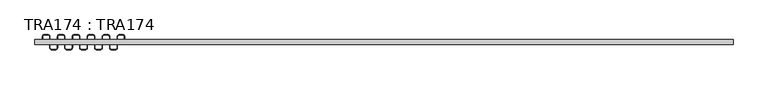
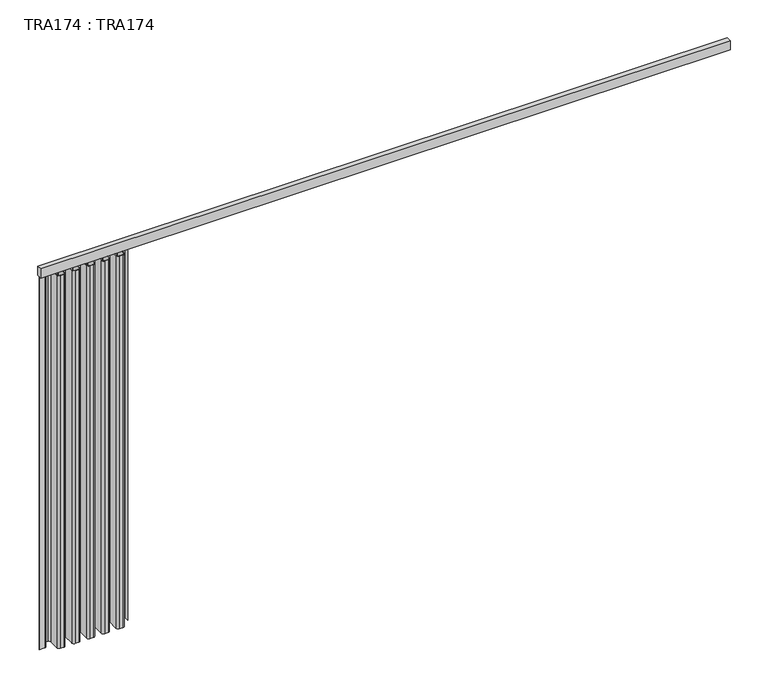
"""IFC4 building model written with IfcOpenShell, lengths in millimetres: proxy geometry, TRA174 : TRA174."""

from ifc_helpers import new_model, si_unit, point, frame, frame_2d, origin, place, context, project, spatial, polyline, circle_curve, trimmed, segment, composite_curve, outline, extrude, source, transform, mapped, element, save


def tra174_tra174_6911ceaa(model_context):
    return source(origin(), model_context, "Body", "SweptSolid", [
        extrude(outline(composite_curve([segment(trimmed(circle_curve(frame_2d((27.5, 10.0)), 10.0), [point((27.5, 0.0))], [point((37.5, 10.0))], True, "CARTESIAN"), True, "CONTINUOUS"), segment(polyline([(37.5, 10.0), (37.5, 27.5)]), True, "CONTINUOUS"), segment(trimmed(circle_curve(frame_2d((47.5, 27.5)), 10.0), [point((37.5, 27.5))], [point((47.5, 37.5))], False, "CARTESIAN"), True, "CONTINUOUS"), segment(polyline([(47.5, 37.5), (65.0, 37.5)]), True, "CONTINUOUS"), segment(trimmed(circle_curve(frame_2d((65.0, 27.5)), 10.0), [point((65.0, 37.5))], [point((75.0, 27.5))], False, "CARTESIAN"), True, "CONTINUOUS"), segment(polyline([(75.0, 27.5), (75.0, -27.5)]), True, "CONTINUOUS"), segment(trimmed(circle_curve(frame_2d((85.0, -27.5)), 10.0), [point((75.0, -27.5))], [point((85.0, -37.5))], True, "CARTESIAN"), True, "CONTINUOUS"), segment(polyline([(85.0, -37.5), (102.5, -37.5)]), True, "CONTINUOUS"), segment(trimmed(circle_curve(frame_2d((102.5, -27.5)), 10.0), [point((102.5, -37.5))], [point((112.5, -27.5))], True, "CARTESIAN"), True, "CONTINUOUS"), segment(polyline([(112.5, -27.5), (112.5, 27.5)]), True, "CONTINUOUS"), segment(trimmed(circle_curve(frame_2d((122.5, 27.5)), 10.0), [point((112.5, 27.5))], [point((122.5, 37.5))], False, "CARTESIAN"), True, "CONTINUOUS"), segment(polyline([(122.5, 37.5), (140.0, 37.5)]), True, "CONTINUOUS"), segment(trimmed(circle_curve(frame_2d((140.0, 27.5)), 10.0), [point((140.0, 37.5))], [point((150.0, 27.5))], False, "CARTESIAN"), True, "CONTINUOUS"), segment(polyline([(150.0, 27.5), (150.0, -27.3548779)]), True, "CONTINUOUS"), segment(trimmed(circle_curve(frame_2d((160.1451221, -27.3548779)), 10.1451221), [point((150.0, -27.3548779))], [point((160.1451221, -37.5))], True, "CARTESIAN"), True, "CONTINUOUS"), segment(polyline([(160.1451221, -37.5), (177.5, -37.5)]), True, "CONTINUOUS"), segment(trimmed(circle_curve(frame_2d((177.5, -27.5)), 10.0), [point((177.5, -37.5))], [point((187.5, -27.5))], True, "CARTESIAN"), True, "CONTINUOUS"), segment(polyline([(187.5, -27.5), (187.5, 27.5)]), True, "CONTINUOUS"), segment(trimmed(circle_curve(frame_2d((197.5, 27.5)), 10.0), [point((187.5, 27.5))], [point((197.5, 37.5))], False, "CARTESIAN"), True, "CONTINUOUS"), segment(polyline([(197.5, 37.5), (215.0, 37.5)]), True, "CONTINUOUS"), segment(trimmed(circle_curve(frame_2d((215.0, 27.5)), 10.0), [point((215.0, 37.5))], [point((225.0, 27.5))], False, "CARTESIAN"), True, "CONTINUOUS"), segment(polyline([(225.0, 27.5), (225.0, -27.5)]), True, "CONTINUOUS"), segment(trimmed(circle_curve(frame_2d((235.0, -27.5)), 10.0), [point((225.0, -27.5))], [point((235.0, -37.5))], True, "CARTESIAN"), True, "CONTINUOUS"), segment(polyline([(235.0, -37.5), (252.5, -37.5)]), True, "CONTINUOUS"), segment(trimmed(circle_curve(frame_2d((252.5, -27.5)), 10.0), [point((252.5, -37.5))], [point((262.5, -27.5))], True, "CARTESIAN"), True, "CONTINUOUS"), segment(polyline([(262.5, -27.5), (262.5, 27.5)]), True, "CONTINUOUS"), segment(trimmed(circle_curve(frame_2d((272.5, 27.5)), 10.0), [point((262.5, 27.5))], [point((272.5, 37.5))], False, "CARTESIAN"), True, "CONTINUOUS"), segment(polyline([(272.5, 37.5), (290.0, 37.5)]), True, "CONTINUOUS"), segment(trimmed(circle_curve(frame_2d((290.0, 27.5)), 10.0), [point((290.0, 37.5))], [point((300.0, 27.5))], False, "CARTESIAN"), True, "CONTINUOUS"), segment(polyline([(300.0, 27.5), (300.0, -27.5)]), True, "CONTINUOUS"), segment(trimmed(circle_curve(frame_2d((310.0, -27.5)), 10.0), [point((300.0, -27.5))], [point((310.0, -37.5))], True, "CARTESIAN"), True, "CONTINUOUS"), segment(polyline([(310.0, -37.5), (327.5, -37.5)]), True, "CONTINUOUS"), segment(trimmed(circle_curve(frame_2d((327.5, -27.5)), 10.0), [point((327.5, -37.5))], [point((337.5, -27.5))], True, "CARTESIAN"), True, "CONTINUOUS"), segment(polyline([(337.5, -27.5), (337.5, 27.3548779)]), True, "CONTINUOUS"), segment(trimmed(circle_curve(frame_2d((347.6451221, 27.3548779)), 10.1451221), [point((337.5, 27.3548779))], [point((347.6451221, 37.5))], False, "CARTESIAN"), True, "CONTINUOUS"), segment(polyline([(347.6451221, 37.5), (365.0, 37.5)]), True, "CONTINUOUS"), segment(trimmed(circle_curve(frame_2d((365.0, 27.5)), 10.0), [point((365.0, 37.5))], [point((375.0, 27.5))], False, "CARTESIAN"), True, "CONTINUOUS"), segment(polyline([(375.0, 27.5), (375.0, -27.5)]), True, "CONTINUOUS"), segment(trimmed(circle_curve(frame_2d((385.0, -27.5)), 10.0), [point((375.0, -27.5))], [point((385.0, -37.5))], True, "CARTESIAN"), True, "CONTINUOUS"), segment(polyline([(385.0, -37.5), (402.5, -37.5)]), True, "CONTINUOUS"), segment(trimmed(circle_curve(frame_2d((402.5, -27.5)), 10.0), [point((402.5, -37.5))], [point((412.5, -27.5))], True, "CARTESIAN"), True, "CONTINUOUS"), segment(polyline([(412.5, -27.5), (412.5, 27.3548779)]), True, "CONTINUOUS"), segment(trimmed(circle_curve(frame_2d((422.6451221, 27.3548779)), 10.1451221), [point((412.5, 27.3548779))], [point((422.6451221, 37.5))], False, "CARTESIAN"), True, "CONTINUOUS"), segment(polyline([(422.6451221, 37.5), (440.0, 37.5)]), True, "CONTINUOUS"), segment(trimmed(circle_curve(frame_2d((440.0, 27.5)), 10.0), [point((440.0, 37.5))], [point((450.0, 27.5))], False, "CARTESIAN"), True, "CONTINUOUS"), segment(polyline([(450.0, 27.5), (450.0, 0.0), (449.0, 0.0), (449.0, 27.5)]), True, "CONTINUOUS"), segment(trimmed(circle_curve(frame_2d((440.0, 27.5)), 9.0), [point((449.0, 27.5))], [point((440.0, 36.5))], True, "CARTESIAN"), True, "CONTINUOUS"), segment(polyline([(440.0, 36.5), (422.6451221, 36.5)]), True, "CONTINUOUS"), segment(trimmed(circle_curve(frame_2d((422.6451221, 27.3548779)), 9.1451221), [point((422.6451221, 36.5))], [point((413.5, 27.3548779))], True, "CARTESIAN"), True, "CONTINUOUS"), segment(polyline([(413.5, 27.3548779), (413.5, -27.5)]), True, "CONTINUOUS"), segment(trimmed(circle_curve(frame_2d((402.5, -27.5)), 11.0), [point((413.5, -27.5))], [point((402.5, -38.5))], False, "CARTESIAN"), True, "CONTINUOUS"), segment(polyline([(402.5, -38.5), (385.0, -38.5)]), True, "CONTINUOUS"), segment(trimmed(circle_curve(frame_2d((385.0, -27.5)), 11.0), [point((385.0, -38.5))], [point((374.0, -27.5))], False, "CARTESIAN"), True, "CONTINUOUS"), segment(polyline([(374.0, -27.5), (374.0, 27.5)]), True, "CONTINUOUS"), segment(trimmed(circle_curve(frame_2d((365.0, 27.5)), 9.0), [point((374.0, 27.5))], [point((365.0, 36.5))], True, "CARTESIAN"), True, "CONTINUOUS"), segment(polyline([(365.0, 36.5), (347.6451221, 36.5)]), True, "CONTINUOUS"), segment(trimmed(circle_curve(frame_2d((347.6451221, 27.3548779)), 9.1451221), [point((347.6451221, 36.5))], [point((338.5, 27.3548779))], True, "CARTESIAN"), True, "CONTINUOUS"), segment(polyline([(338.5, 27.3548779), (338.5, -27.5)]), True, "CONTINUOUS"), segment(trimmed(circle_curve(frame_2d((327.5, -27.5)), 11.0), [point((338.5, -27.5))], [point((327.5, -38.5))], False, "CARTESIAN"), True, "CONTINUOUS"), segment(polyline([(327.5, -38.5), (310.0, -38.5)]), True, "CONTINUOUS"), segment(trimmed(circle_curve(frame_2d((310.0, -27.5)), 11.0), [point((310.0, -38.5))], [point((299.0, -27.5))], False, "CARTESIAN"), True, "CONTINUOUS"), segment(polyline([(299.0, -27.5), (299.0, 27.5)]), True, "CONTINUOUS"), segment(trimmed(circle_curve(frame_2d((290.0, 27.5)), 9.0), [point((299.0, 27.5))], [point((290.0, 36.5))], True, "CARTESIAN"), True, "CONTINUOUS"), segment(polyline([(290.0, 36.5), (272.5, 36.5)]), True, "CONTINUOUS"), segment(trimmed(circle_curve(frame_2d((272.5, 27.5)), 9.0), [point((272.5, 36.5))], [point((263.5, 27.5))], True, "CARTESIAN"), True, "CONTINUOUS"), segment(polyline([(263.5, 27.5), (263.5, -27.5)]), True, "CONTINUOUS"), segment(trimmed(circle_curve(frame_2d((252.5, -27.5)), 11.0), [point((263.5, -27.5))], [point((252.5, -38.5))], False, "CARTESIAN"), True, "CONTINUOUS"), segment(polyline([(252.5, -38.5), (235.0, -38.5)]), True, "CONTINUOUS"), segment(trimmed(circle_curve(frame_2d((235.0, -27.5)), 11.0), [point((235.0, -38.5))], [point((224.0, -27.5))], False, "CARTESIAN"), True, "CONTINUOUS"), segment(polyline([(224.0, -27.5), (224.0, 27.5)]), True, "CONTINUOUS"), segment(trimmed(circle_curve(frame_2d((215.0, 27.5)), 9.0), [point((224.0, 27.5))], [point((215.0, 36.5))], True, "CARTESIAN"), True, "CONTINUOUS"), segment(polyline([(215.0, 36.5), (197.5, 36.5)]), True, "CONTINUOUS"), segment(trimmed(circle_curve(frame_2d((197.5, 27.5)), 9.0), [point((197.5, 36.5))], [point((188.5, 27.5))], True, "CARTESIAN"), True, "CONTINUOUS"), segment(polyline([(188.5, 27.5), (188.5, -27.5)]), True, "CONTINUOUS"), segment(trimmed(circle_curve(frame_2d((177.5, -27.5)), 11.0), [point((188.5, -27.5))], [point((177.5, -38.5))], False, "CARTESIAN"), True, "CONTINUOUS"), segment(polyline([(177.5, -38.5), (160.1451221, -38.5)]), True, "CONTINUOUS"), segment(trimmed(circle_curve(frame_2d((160.1451221, -27.3548779)), 11.1451221), [point((160.1451221, -38.5))], [point((149.0, -27.3548779))], False, "CARTESIAN"), True, "CONTINUOUS"), segment(polyline([(149.0, -27.3548779), (149.0, 27.5)]), True, "CONTINUOUS"), segment(trimmed(circle_curve(frame_2d((140.0, 27.5)), 9.0), [point((149.0, 27.5))], [point((140.0, 36.5))], True, "CARTESIAN"), True, "CONTINUOUS"), segment(polyline([(140.0, 36.5), (122.5, 36.5)]), True, "CONTINUOUS"), segment(trimmed(circle_curve(frame_2d((122.5, 27.5)), 9.0), [point((122.5, 36.5))], [point((113.5, 27.5))], True, "CARTESIAN"), True, "CONTINUOUS"), segment(polyline([(113.5, 27.5), (113.5, -27.5)]), True, "CONTINUOUS"), segment(trimmed(circle_curve(frame_2d((102.5, -27.5)), 11.0), [point((113.5, -27.5))], [point((102.5, -38.5))], False, "CARTESIAN"), True, "CONTINUOUS"), segment(polyline([(102.5, -38.5), (85.0, -38.5)]), True, "CONTINUOUS"), segment(trimmed(circle_curve(frame_2d((85.0, -27.5)), 11.0), [point((85.0, -38.5))], [point((74.0, -27.5))], False, "CARTESIAN"), True, "CONTINUOUS"), segment(polyline([(74.0, -27.5), (74.0, 27.5)]), True, "CONTINUOUS"), segment(trimmed(circle_curve(frame_2d((65.0, 27.5)), 9.0), [point((74.0, 27.5))], [point((65.0, 36.5))], True, "CARTESIAN"), True, "CONTINUOUS"), segment(polyline([(65.0, 36.5), (47.5, 36.5)]), True, "CONTINUOUS"), segment(trimmed(circle_curve(frame_2d((47.5, 27.5)), 9.0), [point((47.5, 36.5))], [point((38.5, 27.5))], True, "CARTESIAN"), True, "CONTINUOUS"), segment(polyline([(38.5, 27.5), (38.5, 10.0)]), True, "CONTINUOUS"), segment(trimmed(circle_curve(frame_2d((27.5, 10.0)), 11.0), [point((38.5, 10.0))], [point((27.5, -1.0))], False, "CARTESIAN"), True, "CONTINUOUS"), segment(polyline([(27.5, -1.0), (0.0, -1.0), (0.0, 0.0), (27.5, 0.0)]), True, "CONTINUOUS")], self_intersect=False)), frame((0.0, 0.0, -2050.0), z_axis=(0.0, 0.0, 1.0), x_axis=(1.0, 0.0, 0.0)), (0.0, 0.0, 1.0), 1999.9999996),
        extrude(outline(polyline([(3500.0000267, 12.5000001), (3500.0000267, -12.5000001), (0.0, -12.5000001), (0.0, 12.5000001), (3500.0000267, 12.5000001)])), frame((0.0, 0.0, -50.0000004), z_axis=(0.0, 0.0, 1.0), x_axis=(1.0, 0.0, 0.0)), (0.0, 0.0, 1.0), 50.0000004),
    ])


if __name__ == "__main__":
    model = new_model("IFC4")
    model_context = context("Model", 3, world=origin())
    ifc_project = project(units=[si_unit("LENGTHUNIT", "METRE", prefix="MILLI")], contexts=[model_context])
    site = spatial("IfcSite", under=ifc_project)
    building = spatial("IfcBuilding", under=site)
    placement = place(None, origin())
    tra174_tra174_shape = tra174_tra174_6911ceaa(model_context)
    element("IfcBuildingElementProxy", 1, Name="TRA174 : TRA174", ObjectType="TRA174 : TRA174", at=placement, inside=building, context=model_context, shape_type="MappedRepresentation", body=[
        mapped(tra174_tra174_shape, transform((0.0, 0.0, 0.0), x_axis=(1.0, 0.0, 0.0), y_axis=(0.0, 1.0, 0.0), z_axis=(0.0, 0.0, 1.0))),
    ])
    save(model, "model.ifc")
